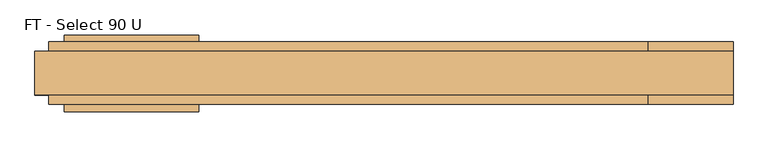
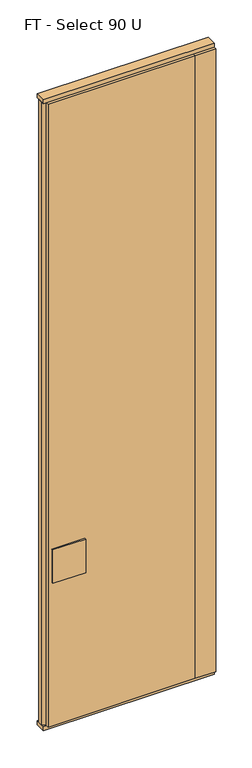
"""IFC4 building model written with IfcOpenShell, lengths in millimetres: door geometry, FT - Select 90 U."""

from ifc_helpers import new_model, si_unit, frame, origin, origin_with_axes, place, context, project, spatial, polyline, outline, extrude, source, transform, mapped, element, save


def ft_select_90_u_52d1e643(model_context):
    return source(origin(), model_context, "Body", "SweptSolid", [
        extrude(outline(polyline([(387.5, 46.0), (387.5, 23.0), (407.5, 17.6410162), (407.5, -17.6410162), (387.5, -23.0), (387.5, -46.0), (-492.5, -46.0), (-492.5, -23.0), (-512.5, -17.6410162), (-512.5, 17.6410162), (-492.5, 23.0), (-492.5, 46.0), (387.5, 46.0)])), frame((0.0, 0.0, 25.0), z_axis=(0.0, 0.0, 1.0), x_axis=(1.0, 0.0, 0.0)), (0.0, 0.0, 1.0), 3950.0),
        extrude(outline(polyline([(-272.2719698, -56.0), (-469.2719698, -56.0), (-469.2719698, -46.0), (-272.2719698, -46.0), (-272.2719698, -56.0)])), frame((0.0, 0.0, 934.0), z_axis=(0.0, 0.0, 1.0), x_axis=(1.0, 0.0, 0.0)), (0.0, 0.0, 1.0), 212.0),
        extrude(outline(polyline([(-272.2719698, 46.0), (-469.2719698, 46.0), (-469.2719698, 56.0), (-272.2719698, 56.0), (-272.2719698, 46.0)])), frame((0.0, 0.0, 934.0), z_axis=(0.0, 0.0, 1.0), x_axis=(1.0, 0.0, 0.0)), (0.0, 0.0, 1.0), 212.0),
        extrude(outline(polyline([(387.5, -46.0), (387.5, -23.0), (407.5, -17.6410162), (407.5, 17.6410162), (387.5, 23.0), (387.5, 46.0), (512.5, 46.0), (512.5, -46.0), (387.5, -46.0)])), frame((0.0, 0.0, 25.0), z_axis=(0.0, 0.0, 1.0), x_axis=(1.0, 0.0, 0.0)), (0.0, 0.0, 1.0), 3950.0),
        extrude(outline(polyline([(512.5, 32.0), (512.5, -32.0), (-512.5, -32.0), (-512.5, 32.0), (512.5, 32.0)])), origin_with_axes(), (0.0, 0.0, 1.0), 25.0),
        extrude(outline(polyline([(512.5, 32.0), (512.5, -32.0), (-512.5, -32.0), (-512.5, 32.0), (512.5, 32.0)])), frame((0.0, 0.0, 3975.0), z_axis=(0.0, 0.0, 1.0), x_axis=(1.0, 0.0, 0.0)), (0.0, 0.0, 1.0), 25.0),
    ])


if __name__ == "__main__":
    model = new_model("IFC4")
    model_context = context("Model", 3, world=origin())
    ifc_project = project(units=[si_unit("LENGTHUNIT", "METRE", prefix="MILLI")], contexts=[model_context])
    site = spatial("IfcSite", under=ifc_project)
    building = spatial("IfcBuilding", under=site)
    placement = place(None, origin())
    ft_select_90_u_shape = ft_select_90_u_52d1e643(model_context)
    element("IfcDoor", 1, ObjectType="FT - Select 90 U", at=placement, inside=building, context=model_context, shape_type="MappedRepresentation", body=[
        mapped(ft_select_90_u_shape, transform((0.0, 0.0, 0.0), x_axis=(1.0, 0.0, 0.0), y_axis=(0.0, 1.0, 0.0), z_axis=(0.0, 0.0, 1.0))),
    ])
    save(model, "model.ifc")
